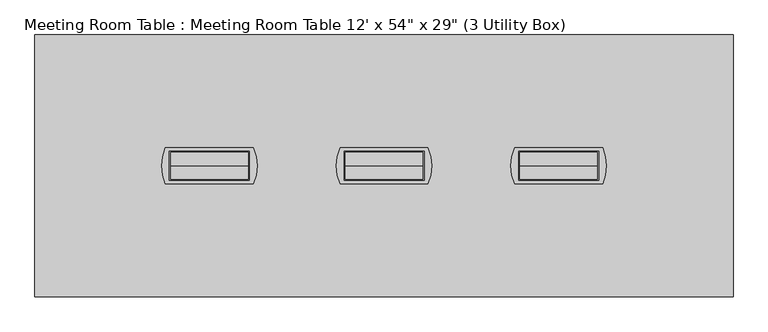
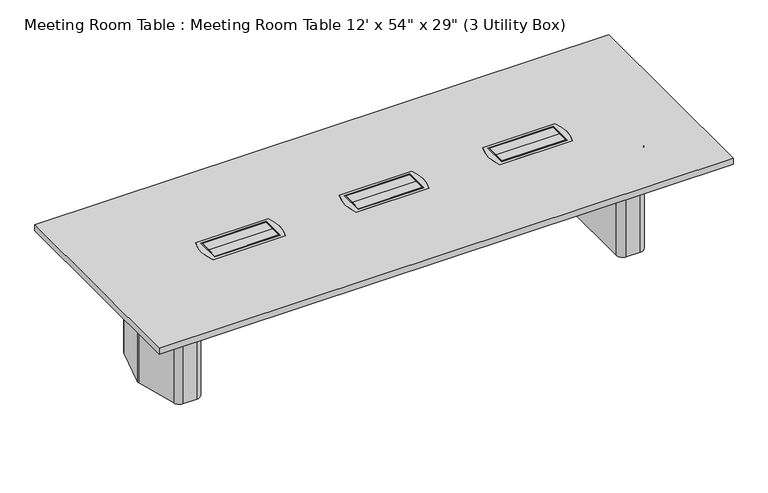
"""IFC4 building model written with IfcOpenShell, lengths in millimetres: furniture geometry."""

from ifc_helpers import new_model, si_unit, point, frame, frame_2d, origin, origin_2d, place, context, project, spatial, polyline, circle_curve, trimmed, segment, composite_curve, outline, extrude, source, transform, mapped, element, save
from ifc_brep_helpers import plane_surface, cylinder_surface, revolved_surface, advanced_brep


def furniture_a64efeea(model_context):
    return source(origin(), model_context, "Body", "SolidModel", [
        extrude(outline(polyline([(727.075, -169.8625), (727.075, -209.55), (717.55, -209.55), (717.55, -177.6076352), (527.05, -137.9201352), (527.05, -11.1125), (717.55, -11.1125), (717.55, 11.1125), (527.05, 11.1125), (527.05, 137.9201352), (717.55, 177.6076352), (717.55, 209.55), (727.075, 209.55), (727.075, 169.8625), (536.575, 130.175), (536.575, 20.6375), (727.075, 20.6375), (727.075, -20.6375), (536.575, -20.6375), (536.575, -130.175), (727.075, -169.8625)])), frame((0.0, -95.25, 0.0), z_axis=(0.0, 1.0, 0.0), x_axis=(0.0, 0.0, 1.0)), (0.0, 0.0, 1.0), 190.5),
        extrude(outline(polyline([(203.2, 69.85), (203.2, 0.79375), (-203.2, 0.79375), (-203.2, 69.85), (203.2, 69.85)])), frame((0.0, 0.0, 727.075), z_axis=(0.0, 0.0, 1.0), x_axis=(1.0, 0.0, 0.0)), (0.0, 0.0, 1.0), 9.525),
        extrude(outline(polyline([(-203.2, -69.85), (-203.2, -0.79375), (203.2, -0.79375), (203.2, -69.85), (-203.2, -69.85)])), frame((0.0, 0.0, 727.075), z_axis=(0.0, 0.0, 1.0), x_axis=(1.0, 0.0, 0.0)), (0.0, 0.0, 1.0), 9.525),
        extrude(outline(polyline([(-209.55, -76.2), (-209.55, 76.2), (209.55, 76.2), (209.55, -76.2), (-209.55, -76.2)]), holes=[polyline([(203.2, 69.85), (-203.2, 69.85), (-203.2, -69.85), (203.2, -69.85), (203.2, 69.85)])]), frame((0.0, 0.0, 727.075), z_axis=(0.0, 0.0, 1.0), x_axis=(1.0, 0.0, 0.0)), (0.0, 0.0, 1.0), 9.525),
        extrude(outline(composite_curve([segment(trimmed(circle_curve(origin_2d(), 249.2375), [point((-230.3188418, -95.25))], [point((-230.3188418, 95.25))], False, "CARTESIAN"), True, "CONTINUOUS"), segment(polyline([(-230.3188418, 95.25), (230.3188418, 95.25)]), True, "CONTINUOUS"), segment(trimmed(circle_curve(origin_2d(), 249.2375), [point((230.3188418, 95.25))], [point((230.3188418, -95.25))], False, "CARTESIAN"), True, "CONTINUOUS"), segment(polyline([(230.3188418, -95.25), (-230.3188418, -95.25)]), True, "CONTINUOUS")], self_intersect=False), holes=[polyline([(209.55, 76.2), (-209.55, 76.2), (-209.55, -76.2), (209.55, -76.2), (209.55, 76.2)])]), frame((0.0, 0.0, 727.075), z_axis=(0.0, 0.0, 1.0), x_axis=(1.0, 0.0, 0.0)), (0.0, 0.0, 1.0), 9.525),
        extrude(outline(polyline([(727.075, 744.5375), (727.075, 704.85), (717.55, 704.85), (717.55, 736.7923648), (527.05, 776.4798648), (527.05, 903.2875), (717.55, 903.2875), (717.55, 925.5125), (527.05, 925.5125), (527.05, 1052.3201352), (717.55, 1092.0076352), (717.55, 1123.95), (727.075, 1123.95), (727.075, 1084.2625), (536.575, 1044.575), (536.575, 935.0375), (727.075, 935.0375), (727.075, 893.7625), (536.575, 893.7625), (536.575, 784.225), (727.075, 744.5375)])), frame((0.0, -95.25, 0.0), z_axis=(0.0, 1.0, 0.0), x_axis=(0.0, 0.0, 1.0)), (0.0, 0.0, 1.0), 190.5),
        extrude(outline(polyline([(1117.6, 69.85), (1117.6, 0.79375), (711.2, 0.79375), (711.2, 69.85), (1117.6, 69.85)])), frame((0.0, 0.0, 727.075), z_axis=(0.0, 0.0, 1.0), x_axis=(1.0, 0.0, 0.0)), (0.0, 0.0, 1.0), 9.525),
        extrude(outline(polyline([(711.2, -69.85), (711.2, -0.79375), (1117.6, -0.79375), (1117.6, -69.85), (711.2, -69.85)])), frame((0.0, 0.0, 727.075), z_axis=(0.0, 0.0, 1.0), x_axis=(1.0, 0.0, 0.0)), (0.0, 0.0, 1.0), 9.525),
        extrude(outline(polyline([(704.85, -76.2), (704.85, 76.2), (1123.95, 76.2), (1123.95, -76.2), (704.85, -76.2)]), holes=[polyline([(1117.6, 69.85), (711.2, 69.85), (711.2, -69.85), (1117.6, -69.85), (1117.6, 69.85)])]), frame((0.0, 0.0, 727.075), z_axis=(0.0, 0.0, 1.0), x_axis=(1.0, 0.0, 0.0)), (0.0, 0.0, 1.0), 9.525),
        extrude(outline(composite_curve([segment(trimmed(circle_curve(frame_2d((914.4, 0.0)), 249.2375), [point((684.0811582, -95.25))], [point((684.0811582, 95.25))], False, "CARTESIAN"), True, "CONTINUOUS"), segment(polyline([(684.0811582, 95.25), (1144.7188418, 95.25)]), True, "CONTINUOUS"), segment(trimmed(circle_curve(frame_2d((914.4, 0.0)), 249.2375), [point((1144.7188418, 95.25))], [point((1144.7188418, -95.25))], False, "CARTESIAN"), True, "CONTINUOUS"), segment(polyline([(1144.7188418, -95.25), (684.0811582, -95.25)]), True, "CONTINUOUS")], self_intersect=False), holes=[polyline([(1123.95, 76.2), (704.85, 76.2), (704.85, -76.2), (1123.95, -76.2), (1123.95, 76.2)])]), frame((0.0, 0.0, 727.075), z_axis=(0.0, 0.0, 1.0), x_axis=(1.0, 0.0, 0.0)), (0.0, 0.0, 1.0), 9.525),
        advanced_brep(
        [(1497.224548, 274.2093613, 698.5), (1457.3579246, 304.8, 698.5), (1368.425, 304.8, 698.5), (1327.15, 263.525, 698.5), (1327.15, -263.525, 698.5), (1368.425, -304.8, 698.5), (1457.3579246, -304.8, 698.5), (1497.224548, -274.2093613, 698.5), (1567.8503901, -10.6333708, 698.5), (1567.8503901, 10.6333708, 698.5), (1365.25, -206.375, 698.5), (1365.25, 206.375, 698.5), (1390.65, 231.775, 698.5), (1449.6608422, 231.775, 698.5), (1474.195338, 212.9490792, 698.5), (1512.8875, 68.54974, 698.5), (1512.8875, -68.54974, 698.5), (1474.195338, -212.9490792, 698.5), (1449.6608422, -231.775, 698.5), (1390.65, -231.775, 698.5), (1497.224548, 274.2093613, 3.175), (1567.8503901, 10.6333708, 3.175), (1567.8503901, -10.6333708, 3.175), (1497.224548, -274.2093613, 3.175), (1457.3579246, -304.8, 3.175), (1368.425, -304.8, 3.175), (1327.15, -263.525, 3.175), (1327.15, 263.525, 3.175), (1368.425, 304.8, 3.175), (1457.3579246, 304.8, 3.175), (1486.4625859, 216.2361187, 3.175), (1449.6608422, 244.475, 3.175), (1390.65, 244.475, 3.175), (1352.55, 206.375, 3.175), (1352.55, -206.375, 3.175), (1390.65, -244.475, 3.175), (1449.6608422, -244.475, 3.175), (1486.4625859, -216.2361187, 3.175), (1525.5875, -70.2217466, 3.175), (1525.5875, 70.2217466, 3.175), (1390.65, -231.775, 3.175), (1365.25, -206.375, 3.175), (1449.6608422, -231.775, 3.175), (1474.195338, -212.9490792, 3.175), (1512.8875, -68.54974, 3.175), (1512.8875, 68.54974, 3.175), (1474.195338, 212.9490792, 3.175), (1449.6608422, 231.775, 3.175), (1390.65, 231.775, 3.175), (1365.25, 206.375, 3.175), (1486.4625859, 216.2361187, 0.0), (1525.5875, 70.2217466, 0.0), (1525.5875, -70.2217466, 0.0), (1486.4625859, -216.2361187, 0.0), (1449.6608422, -244.475, 0.0), (1390.65, -244.475, 0.0), (1352.55, -206.375, 0.0), (1352.55, 206.375, 0.0), (1390.65, 244.475, 0.0), (1449.6608422, 244.475, 0.0)],
        [
            (0, 1, circle_curve(frame((1457.3579246, 263.5270004, 698.5), z_axis=(0.0, 0.0, 1.0), x_axis=(-1.0, 0.0, 0.0)), 41.2729996)),
            (1, 2),
            (2, 3, circle_curve(frame((1368.425, 263.525, 698.5), z_axis=(0.0, 0.0, 1.0), x_axis=(-1.0, 0.0, 0.0)), 41.275)),
            (3, 4),
            (4, 5, circle_curve(frame((1368.425, -263.525, 698.5), z_axis=(0.0, 0.0, 1.0), x_axis=(-1.0, 0.0, 0.0)), 41.275)),
            (5, 6),
            (6, 7, circle_curve(frame((1457.3579246, -263.5270004, 698.5), z_axis=(0.0, 0.0, 1.0), x_axis=(-1.0, 0.0, 0.0)), 41.2729996)),
            (7, 8),
            (8, 9, circle_curve(frame((1528.1665979, 0.0, 698.5), z_axis=(0.0, 0.0, 1.0), x_axis=(-1.0, 0.0, 0.0)), 41.0837187)),
            (9, 0),
            (10, 11),
            (11, 12, circle_curve(frame((1390.65, 206.375, 698.5), z_axis=(0.0, 0.0, -1.0), x_axis=(-1.0, 0.0, 0.0)), 25.4)),
            (12, 13),
            (13, 14, circle_curve(frame((1449.6608422, 206.375, 698.5), z_axis=(0.0, 0.0, -1.0), x_axis=(-1.0, 0.0, 0.0)), 25.4)),
            (14, 15),
            (15, 16),
            (16, 17),
            (17, 18, circle_curve(frame((1449.6608422, -206.375, 698.5), z_axis=(0.0, 0.0, -1.0), x_axis=(-1.0, 0.0, 0.0)), 25.4)),
            (18, 19),
            (19, 10, circle_curve(frame((1390.65, -206.375, 698.5), z_axis=(0.0, 0.0, -1.0), x_axis=(-1.0, 0.0, 0.0)), 25.4)),
            (20, 21),
            (21, 22, circle_curve(frame((1528.1665979, 0.0, 3.175), z_axis=(0.0, 0.0, -1.0), x_axis=(-1.0, 0.0, 0.0)), 41.0837187)),
            (22, 23),
            (23, 24, circle_curve(frame((1457.3579246, -263.5270004, 3.175), z_axis=(0.0, 0.0, -1.0), x_axis=(-1.0, 0.0, 0.0)), 41.2729996)),
            (24, 25),
            (25, 26, circle_curve(frame((1368.425, -263.525, 3.175), z_axis=(0.0, 0.0, -1.0), x_axis=(-1.0, 0.0, 0.0)), 41.275)),
            (26, 27),
            (27, 28, circle_curve(frame((1368.425, 263.525, 3.175), z_axis=(0.0, 0.0, -1.0), x_axis=(-1.0, 0.0, 0.0)), 41.275)),
            (28, 29),
            (29, 20, circle_curve(frame((1457.3579246, 263.5270004, 3.175), z_axis=(0.0, 0.0, -1.0), x_axis=(-1.0, 0.0, 0.0)), 41.2729996)),
            (30, 31, circle_curve(frame((1449.6608422, 206.375, 3.175), z_axis=(0.0, 0.0, 1.0), x_axis=(-1.0, 0.0, 0.0)), 38.1)),
            (31, 32),
            (32, 33, circle_curve(frame((1390.65, 206.375, 3.175), z_axis=(0.0, 0.0, 1.0), x_axis=(-1.0, 0.0, 0.0)), 38.1)),
            (33, 34),
            (34, 35, circle_curve(frame((1390.65, -206.375, 3.175), z_axis=(0.0, 0.0, 1.0), x_axis=(-1.0, 0.0, 0.0)), 38.1)),
            (35, 36),
            (36, 37, circle_curve(frame((1449.6608422, -206.375, 3.175), z_axis=(0.0, 0.0, 1.0), x_axis=(-1.0, 0.0, 0.0)), 38.1)),
            (37, 38),
            (38, 39),
            (39, 30),
            (9, 21),
            (20, 0),
            (8, 22),
            (7, 23),
            (6, 24),
            (5, 25),
            (4, 26),
            (3, 27),
            (2, 28),
            (1, 29),
            (19, 40),
            (40, 41, circle_curve(frame((1390.65, -206.375, 3.175), z_axis=(0.0, 0.0, -1.0), x_axis=(-1.0, 0.0, 0.0)), 25.4)),
            (41, 10),
            (18, 42),
            (42, 40),
            (17, 43),
            (43, 42, circle_curve(frame((1449.6608422, -206.375, 3.175), z_axis=(0.0, 0.0, -1.0), x_axis=(-1.0, 0.0, 0.0)), 25.4)),
            (16, 44),
            (44, 43),
            (15, 45),
            (45, 44),
            (14, 46),
            (46, 45),
            (13, 47),
            (47, 46, circle_curve(frame((1449.6608422, 206.375, 3.175), z_axis=(0.0, 0.0, -1.0), x_axis=(-1.0, 0.0, 0.0)), 25.4)),
            (12, 48),
            (48, 47),
            (11, 49),
            (49, 48, circle_curve(frame((1390.65, 206.375, 3.175), z_axis=(0.0, 0.0, -1.0), x_axis=(-1.0, 0.0, 0.0)), 25.4)),
            (41, 49),
            (50, 51),
            (51, 52),
            (52, 53),
            (53, 54, circle_curve(frame((1449.6608422, -206.375, 0.0), z_axis=(0.0, 0.0, -1.0), x_axis=(-1.0, 0.0, 0.0)), 38.1)),
            (54, 55),
            (55, 56, circle_curve(frame((1390.65, -206.375, 0.0), z_axis=(0.0, 0.0, -1.0), x_axis=(-1.0, 0.0, 0.0)), 38.1)),
            (56, 57),
            (57, 58, circle_curve(frame((1390.65, 206.375, 0.0), z_axis=(0.0, 0.0, -1.0), x_axis=(-1.0, 0.0, 0.0)), 38.1)),
            (58, 59),
            (59, 50, circle_curve(frame((1449.6608422, 206.375, 0.0), z_axis=(0.0, 0.0, -1.0), x_axis=(-1.0, 0.0, 0.0)), 38.1)),
            (50, 30),
            (39, 51),
            (38, 52),
            (37, 53),
            (36, 54),
            (35, 55),
            (34, 56),
            (33, 57),
            (32, 58),
            (31, 59),
        ],
        [
            plane_surface(frame((1567.8374275, 10.6817473, 698.5), z_axis=(0.0, 0.0, 1.0000000000000002), x_axis=(0.25882201393606696, -0.9659250307876271, 0.0))),
            plane_surface(frame((1567.8374275, 10.6817473, 3.175), z_axis=(0.0, 0.0, -1.0000000000000002), x_axis=(-0.25882201393606696, 0.9659250307876271, 0.0))),
            plane_surface(frame((1497.224548, 274.2093613, 698.5), z_axis=(0.9659250307876271, 0.25882201393606696, 0.0), x_axis=(0.0, 0.0, -1.0))),
            cylinder_surface(frame((1528.1665979, 0.0, 3.175), z_axis=(0.0, 0.0, 1.0), x_axis=(-1.0, 0.0, 0.0)), 41.0837187),
            plane_surface(frame((1567.8503901, -10.6333708, 698.5), z_axis=(0.9659250307876271, -0.2588220139360669, 0.0), x_axis=(0.0, 0.0, -1.0))),
            cylinder_surface(frame((1457.3579246, -263.5270004, 3.175), z_axis=(0.0, 0.0, 1.0), x_axis=(-1.0, 0.0, 0.0)), 41.2729996),
            plane_surface(frame((1457.3579246, -304.8, 698.5), z_axis=(0.0, -1.0, 0.0), x_axis=(0.0, 0.0, -1.0))),
            cylinder_surface(frame((1368.425, -263.525, 3.175), z_axis=(0.0, 0.0, 1.0), x_axis=(-1.0, 0.0, 0.0)), 41.275),
            plane_surface(frame((1327.15, -263.525, 698.5), z_axis=(-1.0, 0.0, 0.0), x_axis=(0.0, 0.0, -1.0))),
            cylinder_surface(frame((1368.425, 263.525, 3.175), z_axis=(0.0, 0.0, 1.0), x_axis=(-1.0, 0.0, 0.0)), 41.275),
            plane_surface(frame((1368.425, 304.8, 698.5), z_axis=(0.0, 1.0, 0.0), x_axis=(0.0, 0.0, -1.0))),
            cylinder_surface(frame((1457.3579246, 263.5270004, 3.175), z_axis=(0.0, 0.0, 1.0), x_axis=(-1.0, 0.0, 0.0)), 41.2729996),
            revolved_surface(polyline([(1365.25, -206.375, 3.175), (1365.25, -206.375, 698.5)]), (1390.65, -206.375, 0.0), (0.0, 0.0, -1.0)),
            plane_surface(frame((1390.65, -231.775, 698.5), z_axis=(0.0, 1.0, 0.0), x_axis=(0.0, 0.0, -1.0))),
            revolved_surface(polyline([(1424.2608421999998, -206.375, 3.175), (1424.2608421999998, -206.375, 698.5)]), (1449.6608422, -206.375, 0.0), (0.0, 0.0, -1.0)),
            plane_surface(frame((1474.195338, -212.9490792, 698.5), z_axis=(-0.9659250307876271, 0.2588220139360669, 0.0), x_axis=(0.0, 0.0, -1.0))),
            plane_surface(frame((1512.8875, -68.54974, 698.5), z_axis=(-1.0, 0.0, 0.0), x_axis=(0.0, 0.0, -1.0))),
            plane_surface(frame((1512.8875, 68.54974, 698.5), z_axis=(-0.9659250307876271, -0.25882201393606696, 0.0), x_axis=(0.0, 0.0, -1.0))),
            revolved_surface(polyline([(1424.2608421999998, 206.375, 3.175), (1424.2608421999998, 206.375, 698.5)]), (1449.6608422, 206.375, 0.0), (0.0, 0.0, -1.0)),
            plane_surface(frame((1449.6608422, 231.775, 698.5), z_axis=(0.0, -1.0, 0.0), x_axis=(0.0, 0.0, -1.0))),
            revolved_surface(polyline([(1365.25, 206.375, 3.175), (1365.25, 206.375, 698.5)]), (1390.65, 206.375, 0.0), (0.0, 0.0, -1.0)),
            plane_surface(frame((1365.25, 206.375, 698.5), z_axis=(1.0, 0.0, 0.0), x_axis=(0.0, 0.0, -1.0))),
            plane_surface(frame((1525.1547479, 71.8367796, 3.175), z_axis=(0.0, 0.0, 1.0), x_axis=(0.25882201393606713, -0.965925030787627, 0.0))),
            plane_surface(frame((1525.1547479, 71.8367796, 0.0), z_axis=(0.0, 0.0, -1.0), x_axis=(-0.25882201393606713, 0.965925030787627, 0.0))),
            plane_surface(frame((1486.4625859, 216.2361187, 3.175), z_axis=(0.965925030787627, 0.25882201393606713, 0.0), x_axis=(0.0, 0.0, -1.0))),
            plane_surface(frame((1525.5875, 70.2217466, 3.175), z_axis=(1.0, 0.0, 0.0), x_axis=(0.0, 0.0, -1.0))),
            plane_surface(frame((1525.5875, -70.2217466, 3.175), z_axis=(0.9659250307876271, -0.2588220139360667, 0.0), x_axis=(0.0, 0.0, -1.0))),
            cylinder_surface(frame((1449.6608422, -206.375, 0.0), z_axis=(0.0, 0.0, 1.0), x_axis=(-1.0, 0.0, 0.0)), 38.1),
            plane_surface(frame((1449.6608422, -244.475, 3.175), z_axis=(0.0, -1.0, 0.0), x_axis=(0.0, 0.0, -1.0))),
            cylinder_surface(frame((1390.65, -206.375, 0.0), z_axis=(0.0, 0.0, 1.0), x_axis=(-1.0, 0.0, 0.0)), 38.1),
            plane_surface(frame((1352.55, -206.375, 3.175), z_axis=(-1.0, 0.0, 0.0), x_axis=(0.0, 0.0, -1.0))),
            cylinder_surface(frame((1390.65, 206.375, 0.0), z_axis=(0.0, 0.0, 1.0), x_axis=(-1.0, 0.0, 0.0)), 38.1),
            plane_surface(frame((1390.65, 244.475, 3.175), z_axis=(0.0, 1.0, 0.0), x_axis=(0.0, 0.0, -1.0))),
            cylinder_surface(frame((1449.6608422, 206.375, 0.0), z_axis=(0.0, 0.0, 1.0), x_axis=(-1.0, 0.0, 0.0)), 38.1),
        ],
        [
            (0, [[1, 2, 3, 4, 5, 6, 7, 8, 9, 10], [11, 12, 13, 14, 15, 16, 17, 18, 19, 20]]),
            (1, [[21, 22, 23, 24, 25, 26, 27, 28, 29, 30], [31, 32, 33, 34, 35, 36, 37, 38, 39, 40]]),
            (2, [[41, -21, 42, -10]]),
            (3, [[43, -22, -41, -9]]),
            (4, [[44, -23, -43, -8]]),
            (5, [[45, -24, -44, -7]]),
            (6, [[46, -25, -45, -6]]),
            (7, [[47, -26, -46, -5]]),
            (8, [[48, -27, -47, -4]]),
            (9, [[49, -28, -48, -3]]),
            (10, [[50, -29, -49, -2]]),
            (11, [[-42, -30, -50, -1]]),
            (12, [[51, 52, 53, -20]]),
            (13, [[54, 55, -51, -19]]),
            (14, [[56, 57, -54, -18]]),
            (15, [[58, 59, -56, -17]]),
            (16, [[60, 61, -58, -16]]),
            (17, [[62, 63, -60, -15]]),
            (18, [[64, 65, -62, -14]]),
            (19, [[66, 67, -64, -13]]),
            (20, [[68, 69, -66, -12]]),
            (21, [[-53, 70, -68, -11]]),
            (22, [[-55, -57, -59, -61, -63, -65, -67, -69, -70, -52]]),
            (23, [[71, 72, 73, 74, 75, 76, 77, 78, 79, 80]]),
            (24, [[81, -40, 82, -71]]),
            (25, [[-82, -39, 83, -72]]),
            (26, [[-83, -38, 84, -73]]),
            (27, [[-84, -37, 85, -74]]),
            (28, [[-85, -36, 86, -75]]),
            (29, [[-86, -35, 87, -76]]),
            (30, [[-87, -34, 88, -77]]),
            (31, [[-88, -33, 89, -78]]),
            (32, [[-89, -32, 90, -79]]),
            (33, [[-90, -31, -81, -80]]),
        ],
    ),
        advanced_brep(
        [(-1497.224548, 274.2093613, 698.5), (-1567.8503901, 10.6333708, 698.5), (-1567.8503901, -10.6333708, 698.5), (-1497.224548, -274.2093613, 698.5), (-1457.3579246, -304.8, 698.5), (-1368.425, -304.8, 698.5), (-1327.15, -263.525, 698.5), (-1327.15, 263.525, 698.5), (-1368.425, 304.8, 698.5), (-1457.3579246, 304.8, 698.5), (-1365.25, -206.375, 698.5), (-1390.65, -231.775, 698.5), (-1449.6608422, -231.775, 698.5), (-1474.195338, -212.9490792, 698.5), (-1512.8875, -68.54974, 698.5), (-1512.8875, 68.54974, 698.5), (-1474.195338, 212.9490792, 698.5), (-1449.6608422, 231.775, 698.5), (-1390.65, 231.775, 698.5), (-1365.25, 206.375, 698.5), (-1497.224548, 274.2093613, 3.175), (-1457.3579246, 304.8, 3.175), (-1368.425, 304.8, 3.175), (-1327.15, 263.525, 3.175), (-1327.15, -263.525, 3.175), (-1368.425, -304.8, 3.175), (-1457.3579246, -304.8, 3.175), (-1497.224548, -274.2093613, 3.175), (-1567.8503901, -10.6333708, 3.175), (-1567.8503901, 10.6333708, 3.175), (-1486.4625859, 216.2361187, 3.175), (-1525.5875, 70.2217466, 3.175), (-1525.5875, -70.2217466, 3.175), (-1486.4625859, -216.2361187, 3.175), (-1449.6608422, -244.475, 3.175), (-1390.65, -244.475, 3.175), (-1352.55, -206.375, 3.175), (-1352.55, 206.375, 3.175), (-1390.65, 244.475, 3.175), (-1449.6608422, 244.475, 3.175), (-1365.25, -206.375, 3.175), (-1390.65, -231.775, 3.175), (-1449.6608422, -231.775, 3.175), (-1474.195338, -212.9490792, 3.175), (-1512.8875, -68.54974, 3.175), (-1512.8875, 68.54974, 3.175), (-1474.195338, 212.9490792, 3.175), (-1449.6608422, 231.775, 3.175), (-1390.65, 231.775, 3.175), (-1365.25, 206.375, 3.175), (-1486.4625859, 216.2361187, 0.0), (-1449.6608422, 244.475, 0.0), (-1390.65, 244.475, 0.0), (-1352.55, 206.375, 0.0), (-1352.55, -206.375, 0.0), (-1390.65, -244.475, 0.0), (-1449.6608422, -244.475, 0.0), (-1486.4625859, -216.2361187, 0.0), (-1525.5875, -70.2217466, 0.0), (-1525.5875, 70.2217466, 0.0)],
        [
            (0, 1),
            (1, 2, circle_curve(frame((-1528.1665979, 0.0, 698.5), z_axis=(0.0, 0.0, 1.0), x_axis=(1.0, 0.0, 0.0)), 41.0837187)),
            (2, 3),
            (3, 4, circle_curve(frame((-1457.3579246, -263.5270004, 698.5), z_axis=(0.0, 0.0, 1.0), x_axis=(1.0, 0.0, 0.0)), 41.2729996)),
            (4, 5),
            (5, 6, circle_curve(frame((-1368.425, -263.525, 698.5), z_axis=(0.0, 0.0, 1.0), x_axis=(1.0, 0.0, 0.0)), 41.275)),
            (6, 7),
            (7, 8, circle_curve(frame((-1368.425, 263.525, 698.5), z_axis=(0.0, 0.0, 1.0), x_axis=(1.0, 0.0, 0.0)), 41.275)),
            (8, 9),
            (9, 0, circle_curve(frame((-1457.3579246, 263.5270004, 698.5), z_axis=(0.0, 0.0, 1.0), x_axis=(1.0, 0.0, 0.0)), 41.2729996)),
            (10, 11, circle_curve(frame((-1390.65, -206.375, 698.5), z_axis=(0.0, 0.0, -1.0), x_axis=(1.0, 0.0, 0.0)), 25.4)),
            (11, 12),
            (12, 13, circle_curve(frame((-1449.6608422, -206.375, 698.5), z_axis=(0.0, 0.0, -1.0), x_axis=(1.0, 0.0, 0.0)), 25.4)),
            (13, 14),
            (14, 15),
            (15, 16),
            (16, 17, circle_curve(frame((-1449.6608422, 206.375, 698.5), z_axis=(0.0, 0.0, -1.0), x_axis=(1.0, 0.0, 0.0)), 25.4)),
            (17, 18),
            (18, 19, circle_curve(frame((-1390.65, 206.375, 698.5), z_axis=(0.0, 0.0, -1.0), x_axis=(1.0, 0.0, 0.0)), 25.4)),
            (19, 10),
            (20, 21, circle_curve(frame((-1457.3579246, 263.5270004, 3.175), z_axis=(0.0, 0.0, -1.0), x_axis=(1.0, 0.0, 0.0)), 41.2729996)),
            (21, 22),
            (22, 23, circle_curve(frame((-1368.425, 263.525, 3.175), z_axis=(0.0, 0.0, -1.0), x_axis=(1.0, 0.0, 0.0)), 41.275)),
            (23, 24),
            (24, 25, circle_curve(frame((-1368.425, -263.525, 3.175), z_axis=(0.0, 0.0, -1.0), x_axis=(1.0, 0.0, 0.0)), 41.275)),
            (25, 26),
            (26, 27, circle_curve(frame((-1457.3579246, -263.5270004, 3.175), z_axis=(0.0, 0.0, -1.0), x_axis=(1.0, 0.0, 0.0)), 41.2729996)),
            (27, 28),
            (28, 29, circle_curve(frame((-1528.1665979, 0.0, 3.175), z_axis=(0.0, 0.0, -1.0), x_axis=(1.0, 0.0, 0.0)), 41.0837187)),
            (29, 20),
            (30, 31),
            (31, 32),
            (32, 33),
            (33, 34, circle_curve(frame((-1449.6608422, -206.375, 3.175), z_axis=(0.0, 0.0, 1.0), x_axis=(1.0, 0.0, 0.0)), 38.1)),
            (34, 35),
            (35, 36, circle_curve(frame((-1390.65, -206.375, 3.175), z_axis=(0.0, 0.0, 1.0), x_axis=(1.0, 0.0, 0.0)), 38.1)),
            (36, 37),
            (37, 38, circle_curve(frame((-1390.65, 206.375, 3.175), z_axis=(0.0, 0.0, 1.0), x_axis=(1.0, 0.0, 0.0)), 38.1)),
            (38, 39),
            (39, 30, circle_curve(frame((-1449.6608422, 206.375, 3.175), z_axis=(0.0, 0.0, 1.0), x_axis=(1.0, 0.0, 0.0)), 38.1)),
            (0, 20),
            (29, 1),
            (28, 2),
            (27, 3),
            (26, 4),
            (25, 5),
            (24, 6),
            (23, 7),
            (22, 8),
            (21, 9),
            (10, 40),
            (40, 41, circle_curve(frame((-1390.65, -206.375, 3.175), z_axis=(0.0, 0.0, -1.0), x_axis=(1.0, 0.0, 0.0)), 25.4)),
            (41, 11),
            (41, 42),
            (42, 12),
            (42, 43, circle_curve(frame((-1449.6608422, -206.375, 3.175), z_axis=(0.0, 0.0, -1.0), x_axis=(1.0, 0.0, 0.0)), 25.4)),
            (43, 13),
            (43, 44),
            (44, 14),
            (44, 45),
            (45, 15),
            (45, 46),
            (46, 16),
            (46, 47, circle_curve(frame((-1449.6608422, 206.375, 3.175), z_axis=(0.0, 0.0, -1.0), x_axis=(1.0, 0.0, 0.0)), 25.4)),
            (47, 17),
            (47, 48),
            (48, 18),
            (48, 49, circle_curve(frame((-1390.65, 206.375, 3.175), z_axis=(0.0, 0.0, -1.0), x_axis=(1.0, 0.0, 0.0)), 25.4)),
            (49, 19),
            (49, 40),
            (50, 51, circle_curve(frame((-1449.6608422, 206.375, 0.0), z_axis=(0.0, 0.0, -1.0), x_axis=(1.0, 0.0, 0.0)), 38.1)),
            (51, 52),
            (52, 53, circle_curve(frame((-1390.65, 206.375, 0.0), z_axis=(0.0, 0.0, -1.0), x_axis=(1.0, 0.0, 0.0)), 38.1)),
            (53, 54),
            (54, 55, circle_curve(frame((-1390.65, -206.375, 0.0), z_axis=(0.0, 0.0, -1.0), x_axis=(1.0, 0.0, 0.0)), 38.1)),
            (55, 56),
            (56, 57, circle_curve(frame((-1449.6608422, -206.375, 0.0), z_axis=(0.0, 0.0, -1.0), x_axis=(1.0, 0.0, 0.0)), 38.1)),
            (57, 58),
            (58, 59),
            (59, 50),
            (59, 31),
            (30, 50),
            (58, 32),
            (57, 33),
            (56, 34),
            (55, 35),
            (54, 36),
            (53, 37),
            (52, 38),
            (51, 39),
        ],
        [
            plane_surface(frame((-1567.8374275, 10.6817473, 698.5), z_axis=(0.0, 0.0, 1.0000000000000002), x_axis=(-0.25882201393606696, -0.9659250307876271, 0.0))),
            plane_surface(frame((-1567.8374275, 10.6817473, 3.175), z_axis=(0.0, 0.0, -1.0000000000000002), x_axis=(0.25882201393606696, 0.9659250307876271, 0.0))),
            plane_surface(frame((-1497.224548, 274.2093613, 698.5), z_axis=(-0.9659250307876271, 0.25882201393606696, 0.0), x_axis=(0.0, 0.0, -1.0))),
            cylinder_surface(frame((-1528.1665979, 0.0, 3.175), z_axis=(0.0, 0.0, 1.0), x_axis=(1.0, 0.0, 0.0)), 41.0837187),
            plane_surface(frame((-1567.8503901, -10.6333708, 698.5), z_axis=(-0.9659250307876271, -0.2588220139360669, 0.0), x_axis=(0.0, 0.0, -1.0))),
            cylinder_surface(frame((-1457.3579246, -263.5270004, 3.175), z_axis=(0.0, 0.0, 1.0), x_axis=(1.0, 0.0, 0.0)), 41.2729996),
            plane_surface(frame((-1457.3579246, -304.8, 698.5), z_axis=(0.0, -1.0, 0.0), x_axis=(0.0, 0.0, -1.0))),
            cylinder_surface(frame((-1368.425, -263.525, 3.175), z_axis=(0.0, 0.0, 1.0), x_axis=(1.0, 0.0, 0.0)), 41.275),
            plane_surface(frame((-1327.15, -263.525, 698.5), z_axis=(1.0, 0.0, 0.0), x_axis=(0.0, 0.0, -1.0))),
            cylinder_surface(frame((-1368.425, 263.525, 3.175), z_axis=(0.0, 0.0, 1.0), x_axis=(1.0, 0.0, 0.0)), 41.275),
            plane_surface(frame((-1368.425, 304.8, 698.5), z_axis=(0.0, 1.0, 0.0), x_axis=(0.0, 0.0, -1.0))),
            cylinder_surface(frame((-1457.3579246, 263.5270004, 3.175), z_axis=(0.0, 0.0, 1.0), x_axis=(1.0, 0.0, 0.0)), 41.2729996),
            revolved_surface(polyline([(-1365.25, -206.375, 3.175), (-1365.25, -206.375, 698.5)]), (-1390.65, -206.375, 0.0), (0.0, 0.0, -1.0)),
            plane_surface(frame((-1390.65, -231.775, 698.5), z_axis=(0.0, 1.0, 0.0), x_axis=(0.0, 0.0, -1.0))),
            revolved_surface(polyline([(-1424.2608421999998, -206.375, 3.175), (-1424.2608421999998, -206.375, 698.5)]), (-1449.6608422, -206.375, 0.0), (0.0, 0.0, -1.0)),
            plane_surface(frame((-1474.195338, -212.9490792, 698.5), z_axis=(0.9659250307876271, 0.2588220139360669, 0.0), x_axis=(0.0, 0.0, -1.0))),
            plane_surface(frame((-1512.8875, -68.54974, 698.5), z_axis=(1.0, 0.0, 0.0), x_axis=(0.0, 0.0, -1.0))),
            plane_surface(frame((-1512.8875, 68.54974, 698.5), z_axis=(0.9659250307876271, -0.25882201393606696, 0.0), x_axis=(0.0, 0.0, -1.0))),
            revolved_surface(polyline([(-1424.2608421999998, 206.375, 3.175), (-1424.2608421999998, 206.375, 698.5)]), (-1449.6608422, 206.375, 0.0), (0.0, 0.0, -1.0)),
            plane_surface(frame((-1449.6608422, 231.775, 698.5), z_axis=(0.0, -1.0, 0.0), x_axis=(0.0, 0.0, -1.0))),
            revolved_surface(polyline([(-1365.25, 206.375, 3.175), (-1365.25, 206.375, 698.5)]), (-1390.65, 206.375, 0.0), (0.0, 0.0, -1.0)),
            plane_surface(frame((-1365.25, 206.375, 698.5), z_axis=(-1.0, 0.0, 0.0), x_axis=(0.0, 0.0, -1.0))),
            plane_surface(frame((-1525.1547479, 71.8367796, 3.175), z_axis=(0.0, 0.0, 1.0), x_axis=(-0.25882201393606713, -0.965925030787627, 0.0))),
            plane_surface(frame((-1525.1547479, 71.8367796, 0.0), z_axis=(0.0, 0.0, -1.0), x_axis=(0.25882201393606713, 0.965925030787627, 0.0))),
            plane_surface(frame((-1486.4625859, 216.2361187, 3.175), z_axis=(-0.965925030787627, 0.25882201393606713, 0.0), x_axis=(0.0, 0.0, -1.0))),
            plane_surface(frame((-1525.5875, 70.2217466, 3.175), z_axis=(-1.0, 0.0, 0.0), x_axis=(0.0, 0.0, -1.0))),
            plane_surface(frame((-1525.5875, -70.2217466, 3.175), z_axis=(-0.9659250307876271, -0.2588220139360667, 0.0), x_axis=(0.0, 0.0, -1.0))),
            cylinder_surface(frame((-1449.6608422, -206.375, 0.0), z_axis=(0.0, 0.0, 1.0), x_axis=(1.0, 0.0, 0.0)), 38.1),
            plane_surface(frame((-1449.6608422, -244.475, 3.175), z_axis=(0.0, -1.0, 0.0), x_axis=(0.0, 0.0, -1.0))),
            cylinder_surface(frame((-1390.65, -206.375, 0.0), z_axis=(0.0, 0.0, 1.0), x_axis=(1.0, 0.0, 0.0)), 38.1),
            plane_surface(frame((-1352.55, -206.375, 3.175), z_axis=(1.0, 0.0, 0.0), x_axis=(0.0, 0.0, -1.0))),
            cylinder_surface(frame((-1390.65, 206.375, 0.0), z_axis=(0.0, 0.0, 1.0), x_axis=(1.0, 0.0, 0.0)), 38.1),
            plane_surface(frame((-1390.65, 244.475, 3.175), z_axis=(0.0, 1.0, 0.0), x_axis=(0.0, 0.0, -1.0))),
            cylinder_surface(frame((-1449.6608422, 206.375, 0.0), z_axis=(0.0, 0.0, 1.0), x_axis=(1.0, 0.0, 0.0)), 38.1),
        ],
        [
            (0, [[1, 2, 3, 4, 5, 6, 7, 8, 9, 10], [11, 12, 13, 14, 15, 16, 17, 18, 19, 20]]),
            (1, [[21, 22, 23, 24, 25, 26, 27, 28, 29, 30], [31, 32, 33, 34, 35, 36, 37, 38, 39, 40]]),
            (2, [[-1, 41, -30, 42]]),
            (3, [[-2, -42, -29, 43]]),
            (4, [[-3, -43, -28, 44]]),
            (5, [[-4, -44, -27, 45]]),
            (6, [[-5, -45, -26, 46]]),
            (7, [[-6, -46, -25, 47]]),
            (8, [[-7, -47, -24, 48]]),
            (9, [[-8, -48, -23, 49]]),
            (10, [[-9, -49, -22, 50]]),
            (11, [[-10, -50, -21, -41]]),
            (12, [[-11, 51, 52, 53]]),
            (13, [[-12, -53, 54, 55]]),
            (14, [[-13, -55, 56, 57]]),
            (15, [[-14, -57, 58, 59]]),
            (16, [[-15, -59, 60, 61]]),
            (17, [[-16, -61, 62, 63]]),
            (18, [[-17, -63, 64, 65]]),
            (19, [[-18, -65, 66, 67]]),
            (20, [[-19, -67, 68, 69]]),
            (21, [[-20, -69, 70, -51]]),
            (22, [[-52, -70, -68, -66, -64, -62, -60, -58, -56, -54]]),
            (23, [[71, 72, 73, 74, 75, 76, 77, 78, 79, 80]]),
            (24, [[-80, 81, -31, 82]]),
            (25, [[-79, 83, -32, -81]]),
            (26, [[-78, 84, -33, -83]]),
            (27, [[-77, 85, -34, -84]]),
            (28, [[-76, 86, -35, -85]]),
            (29, [[-75, 87, -36, -86]]),
            (30, [[-74, 88, -37, -87]]),
            (31, [[-73, 89, -38, -88]]),
            (32, [[-72, 90, -39, -89]]),
            (33, [[-71, -82, -40, -90]]),
        ],
    ),
        extrude(outline(polyline([(727.075, -1084.2625), (727.075, -1123.95), (717.55, -1123.95), (717.55, -1092.0076352), (527.05, -1052.3201352), (527.05, -925.5125), (717.55, -925.5125), (717.55, -903.2875), (527.05, -903.2875), (527.05, -776.4798648), (717.55, -736.7923648), (717.55, -704.85), (727.075, -704.85), (727.075, -744.5375), (536.575, -784.225), (536.575, -893.7625), (727.075, -893.7625), (727.075, -935.0375), (536.575, -935.0375), (536.575, -1044.575), (727.075, -1084.2625)])), frame((0.0, -95.25, 0.0), z_axis=(0.0, 1.0, 0.0), x_axis=(0.0, 0.0, 1.0)), (0.0, 0.0, 1.0), 190.5),
        extrude(outline(polyline([(-711.2, 69.85), (-711.2, 0.79375), (-1117.6, 0.79375), (-1117.6, 69.85), (-711.2, 69.85)])), frame((0.0, 0.0, 727.075), z_axis=(0.0, 0.0, 1.0), x_axis=(1.0, 0.0, 0.0)), (0.0, 0.0, 1.0), 9.525),
        extrude(outline(polyline([(-1117.6, -69.85), (-1117.6, -0.79375), (-711.2, -0.79375), (-711.2, -69.85), (-1117.6, -69.85)])), frame((0.0, 0.0, 727.075), z_axis=(0.0, 0.0, 1.0), x_axis=(1.0, 0.0, 0.0)), (0.0, 0.0, 1.0), 9.525),
        extrude(outline(polyline([(-1123.95, -76.2), (-1123.95, 76.2), (-704.85, 76.2), (-704.85, -76.2), (-1123.95, -76.2)]), holes=[polyline([(-711.2, 69.85), (-1117.6, 69.85), (-1117.6, -69.85), (-711.2, -69.85), (-711.2, 69.85)])]), frame((0.0, 0.0, 727.075), z_axis=(0.0, 0.0, 1.0), x_axis=(1.0, 0.0, 0.0)), (0.0, 0.0, 1.0), 9.525),
        extrude(outline(composite_curve([segment(trimmed(circle_curve(frame_2d((-914.4, 0.0)), 249.2375), [point((-1144.7188418, -95.25))], [point((-1144.7188418, 95.25))], False, "CARTESIAN"), True, "CONTINUOUS"), segment(polyline([(-1144.7188418, 95.25), (-684.0811582, 95.25)]), True, "CONTINUOUS"), segment(trimmed(circle_curve(frame_2d((-914.4, 0.0)), 249.2375), [point((-684.0811582, 95.25))], [point((-684.0811582, -95.25))], False, "CARTESIAN"), True, "CONTINUOUS"), segment(polyline([(-684.0811582, -95.25), (-1144.7188418, -95.25)]), True, "CONTINUOUS")], self_intersect=False), holes=[polyline([(-704.85, 76.2), (-1123.95, 76.2), (-1123.95, -76.2), (-704.85, -76.2), (-704.85, 76.2)])]), frame((0.0, 0.0, 727.075), z_axis=(0.0, 0.0, 1.0), x_axis=(1.0, 0.0, 0.0)), (0.0, 0.0, 1.0), 9.525),
        extrude(outline(polyline([(1828.8, 685.8), (1828.8, -685.8), (-1828.8, -685.8), (-1828.8, 685.8), (1828.8, 685.8)]), holes=[composite_curve([segment(trimmed(circle_curve(frame_2d((-914.4, 0.0)), 249.2375), [point((-1144.7188418, 95.25))], [point((-1144.7188418, -95.25))], True, "CARTESIAN"), True, "CONTINUOUS"), segment(polyline([(-1144.7188418, -95.25), (-684.0811582, -95.25)]), True, "CONTINUOUS"), segment(trimmed(circle_curve(frame_2d((-914.4, 0.0)), 249.2375), [point((-684.0811582, -95.25))], [point((-684.0811582, 95.25))], True, "CARTESIAN"), True, "CONTINUOUS"), segment(polyline([(-684.0811582, 95.25), (-1144.7188418, 95.25)]), True, "CONTINUOUS")], self_intersect=False), composite_curve([segment(polyline([(-230.3188418, -95.25), (230.3188418, -95.25)]), True, "CONTINUOUS"), segment(trimmed(circle_curve(origin_2d(), 249.2375), [point((230.3188418, -95.25))], [point((230.3188418, 95.25))], True, "CARTESIAN"), True, "CONTINUOUS"), segment(polyline([(230.3188418, 95.25), (-230.3188418, 95.25)]), True, "CONTINUOUS"), segment(trimmed(circle_curve(origin_2d(), 249.2375), [point((-230.3188418, 95.25))], [point((-230.3188418, -95.25))], True, "CARTESIAN"), True, "CONTINUOUS")], self_intersect=False), composite_curve([segment(trimmed(circle_curve(frame_2d((914.4, 0.0)), 249.2375), [point((684.0811582, 95.25))], [point((684.0811582, -95.25))], True, "CARTESIAN"), True, "CONTINUOUS"), segment(polyline([(684.0811582, -95.25), (1144.7188418, -95.25)]), True, "CONTINUOUS"), segment(trimmed(circle_curve(frame_2d((914.4, 0.0)), 249.2375), [point((1144.7188418, -95.25))], [point((1144.7188418, 95.25))], True, "CARTESIAN"), True, "CONTINUOUS"), segment(polyline([(1144.7188418, 95.25), (684.0811582, 95.25)]), True, "CONTINUOUS")], self_intersect=False)]), frame((0.0, 0.0, 698.5), z_axis=(0.0, 0.0, 1.0), x_axis=(1.0, 0.0, 0.0)), (0.0, 0.0, 1.0), 38.1),
        extrude(outline(polyline([(96.8375, 698.5), (103.1875, 698.5), (103.1875, 476.25), (-103.1875, 476.25), (-103.1875, 698.5), (-96.8375, 698.5), (-96.8375, 482.6), (96.8375, 482.6), (96.8375, 698.5)])), frame((-1327.15, 0.0, 0.0), z_axis=(1.0, 0.0, 0.0), x_axis=(0.0, 1.0, 0.0)), (0.0, 0.0, 1.0), 2654.3),
    ])


if __name__ == "__main__":
    model = new_model("IFC4")
    model_context = context("Model", 3, world=origin())
    ifc_project = project(units=[si_unit("LENGTHUNIT", "METRE", prefix="MILLI")], contexts=[model_context])
    site = spatial("IfcSite", under=ifc_project)
    building = spatial("IfcBuilding", under=site)
    placement = place(None, origin())
    furniture_shape = furniture_a64efeea(model_context)
    element("IfcFurniture", 1, ObjectType="Meeting Room Table : Meeting Room Table 12' x 54\" x 29\" (3 Utility Box)", at=placement, inside=building, context=model_context, shape_type="MappedRepresentation", body=[
        mapped(furniture_shape, transform((0.0, 0.0, 0.0), x_axis=(1.0, 0.0, 0.0), y_axis=(0.0, 1.0, 0.0), z_axis=(0.0, 0.0, 1.0))),
    ])
    save(model, "model.ifc")
